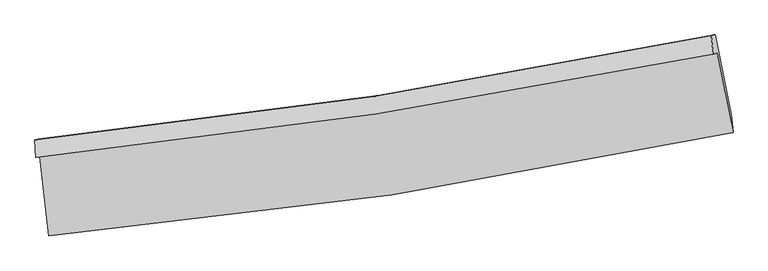
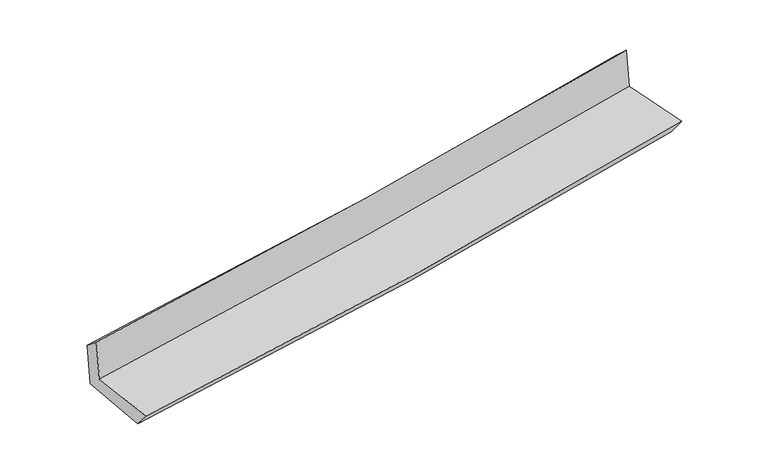
"""IFC4 building model written with IfcOpenShell, lengths in millimetres: proxy geometry."""

from ifc_helpers import new_model, si_unit, frame, origin, place, context, project, spatial, source, transform, mapped, element, save
from ifc_brep_helpers import plane_surface, spline_curve, spline_surface, advanced_brep


def generic_models_22334273(model_context):
    return source(origin(), model_context, "Body", "AdvancedBrep", [
        advanced_brep(
        [(-2833.0409948, -1906.5391049, 1656.0157769), (-2757.3243583, -2564.9836541, 1647.719373), (2909.2751397, -1709.8756625, 2156.8757535), (2777.8742328, -1051.350367, 2160.6039506), (-2865.2245232, -1915.1810724, 2048.1649429), (2746.0995788, -1059.882543, 2547.7710721), (-2871.8612159, -1770.5826141, 1931.8607112), (2727.9351877, -906.7400155, 2405.2892821), (-2838.0451805, -1761.5022835, 1519.8198092), (2760.1258996, -898.096119, 2013.0525863), (-2759.6164724, -2425.0471166, 1486.3282979), (2895.6575618, -1557.5887834, 1963.7729435)],
        [
            (0, 1),
            (1, 2, spline_curve(3, [(-2757.3243583, -2564.9836541, 1647.719373), (-1807.304863717, -2479.94559095, 1748.26741734), (-860.898436792, -2366.342318736, 1840.910750938), (1027.993439634, -2081.506955419, 2010.685064767), (1970.453512093, -1910.074230107, 2087.760524733), (2909.2751397, -1709.8756625, 2156.8757535)], [4, 2, 4], [0.0, 9.380513517159981, 18.793912379800716])),
            (2, 3),
            (3, 0, spline_curve(3, [(2777.8742328, -1051.350367, 2160.6039506), (1846.488011737, -1238.932935855, 2092.376967326), (912.395746345, -1404.075451982, 2016.12687008), (-957.928203221, -1688.981851276, 1847.87485313), (-1894.141013979, -1808.90224821, 1755.928892428), (-2833.0409948, -1906.5391049, 1656.0157769)], [4, 2, 4], [0.0, 9.413398862640735, 18.793912379800716])),
            (4, 0),
            (3, 5),
            (5, 4, spline_curve(3, [(2746.0995788, -1059.882543, 2547.7710721), (1815.054922683, -1247.373394357, 2475.382194281), (881.098948799, -1412.479312926, 2397.471415459), (-989.362723889, -1697.422694221, 2230.897525385), (-1925.848117485, -1817.416285537, 2142.272927709), (-2865.2245232, -1915.1810724, 2048.1649429)], [4, 2, 4], [0.0, 9.367005282178914, 18.70128729305919])),
            (6, 4),
            (5, 7),
            (7, 6, spline_curve(3, [(2727.9351877, -906.7400155, 2405.2892821), (1800.156432061, -1098.657074972, 2328.701888723), (868.794557582, -1266.686725045, 2250.884629655), (-997.829234945, -1554.467649805, 2093.066528023), (-1933.066161451, -1674.385532999, 2013.074263462), (-2871.8612159, -1770.5826141, 1931.8607112)], [4, 2, 4], [0.0, 9.356867581237836, 18.68104730684386])),
            (8, 6),
            (7, 9),
            (9, 8, spline_curve(3, [(2760.1258996, -898.096119, 2013.0525863), (1833.195163531, -1089.785467212, 1926.132261883), (902.392475178, -1257.664963875, 1841.501446089), (-963.691557606, -1545.300951384, 1677.106489286), (-1898.945895495, -1665.223509852, 1597.326379002), (-2838.0451805, -1761.5022835, 1519.8198092)], [4, 2, 4], [0.0, 9.346948275702104, 18.661243348483307])),
            (10, 8),
            (9, 11),
            (11, 10, spline_curve(3, [(2895.6575618, -1557.5887834, 1963.7729435), (1957.840318534, -1745.551691016, 1886.455605422), (1016.828653488, -1911.91009059, 1807.938167297), (-868.284971182, -2200.912183276, 1648.781581843), (-1812.364651245, -2323.706560912, 1568.150804504), (-2759.6164724, -2425.0471166, 1486.3282979)], [4, 2, 4], [0.0, 9.392218984551185, 18.75162661470798])),
            (1, 10),
            (11, 2),
        ],
        [
            spline_surface(3, 3, [[(-2833.0409948, -1906.5391049, 1656.0157769), (-1894.141014024, -1808.902248243, 1755.928892462), (-957.928203316, -1688.981851407, 1847.874853176), (912.39574644, -1404.07545185, 2016.126870033), (1846.48801161, -1238.932936009, 2092.376967226), (2777.8742328, -1051.350367, 2160.6039506)], [(-2807.802115982, -2126.020621321, 1653.250308938), (-1865.195630568, -2032.583362507, 1753.375067457), (-925.58494781, -1914.768673902, 1845.55348576), (950.928310849, -1629.885953014, 2014.312934956), (1887.809845125, -1462.646700743, 2090.838153096), (2821.67453509, -1270.858798825, 2159.361218243)], [(-2782.563237118, -2345.502137679, 1650.484840962), (-1836.250247067, -2256.264476709, 1750.821242439), (-893.241692316, -2140.555496358, 1843.232118331), (989.460875244, -1855.696454138, 2012.498999866), (1929.13167867, -1686.360465501, 2089.299338937), (2865.47483741, -1490.367230675, 2158.118485857)], [(-2757.3243583, -2564.9836541, 1647.719373), (-1807.304863612, -2479.945590973, 1748.267417434), (-860.89843681, -2366.342318853, 1840.910750916), (1027.993439653, -2081.506955302, 2010.685064789), (1970.453512185, -1910.074230235, 2087.760524806), (2909.2751397, -1709.8756625, 2156.8757535)]], [4, 4], [4, 2, 4], [0.0, 2.2497410086304677], [0.0, 9.380513517159981, 18.793912379800716]),
            spline_surface(3, 3, [[(-2865.2245232, -1915.1810724, 2048.1649429), (-1925.848117612, -1817.416285465, 2142.272927646), (-989.362724026, -1697.422694169, 2230.897525374), (881.098948936, -1412.479312978, 2397.47141547), (1815.054922667, -1247.373394467, 2475.382194157), (2746.0995788, -1059.882543, 2547.7710721)], [(-2854.496680399, -1912.300416572, 1917.448554231), (-1915.279083082, -1814.578273063, 2013.491582582), (-978.884550482, -1694.60907989, 2103.223301313), (891.531214745, -1409.678025911, 2270.356566996), (1825.532618969, -1244.559908337, 2347.713785181), (2756.691130121, -1057.038484357, 2418.715364935)], [(-2843.768837601, -1909.419760728, 1786.732165569), (-1904.710048554, -1811.740260645, 1884.710237525), (-968.40637686, -1691.795465685, 1975.549077238), (901.963480632, -1406.876738918, 2143.241718507), (1836.010315308, -1241.746422138, 2220.045376202), (2767.282681479, -1054.194425643, 2289.659657765)], [(-2833.0409948, -1906.5391049, 1656.0157769), (-1894.141014024, -1808.902248243, 1755.928892462), (-957.928203316, -1688.981851407, 1847.874853176), (912.39574644, -1404.07545185, 2016.126870033), (1846.48801161, -1238.932936009, 2092.376967226), (2777.8742328, -1051.350367, 2160.6039506)]], [4, 4], [4, 2, 4], [0.0, 1.2583926836395156], [0.0, 9.334282010880274, 18.70128729305919]),
            spline_surface(3, 3, [[(-2871.8612159, -1770.5826141, 1931.8607112), (-1933.066161582, -1674.385532887, 2013.074263495), (-997.829234903, -1554.467649883, 2093.066528045), (868.79455754, -1266.686724966, 2250.884629634), (1800.156432066, -1098.657075122, 2328.701888741), (2727.9351877, -906.7400155, 2405.2892821)], [(-2869.648984994, -1818.782100187, 1970.628788433), (-1930.660146919, -1722.0624504, 2056.140484878), (-995.007064608, -1602.119331329, 2139.010193815), (872.896021341, -1315.28425432, 2299.746891572), (1805.122595617, -1148.229181571, 2377.595323883), (2733.98998475, -957.787524668, 2452.783212104)], [(-2867.436754106, -1866.981586313, 2009.396865667), (-1928.254132275, -1769.739367952, 2099.206706263), (-992.18489432, -1649.771012723, 2184.953859605), (876.997485135, -1363.881783624, 2348.609153531), (1810.088759117, -1197.801288017, 2426.488759015), (2740.04478175, -1008.835033832, 2500.277142096)], [(-2865.2245232, -1915.1810724, 2048.1649429), (-1925.848117612, -1817.416285465, 2142.272927646), (-989.362724026, -1697.422694169, 2230.897525374), (881.098948936, -1412.479312978, 2397.47141547), (1815.054922667, -1247.373394467, 2475.382194157), (2746.0995788, -1059.882543, 2547.7710721)]], [4, 4], [4, 2, 4], [0.0, 0.6657837840644544], [0.0, 9.324179725606022, 18.68104730684386]),
            spline_surface(3, 3, [[(-2838.0451805, -1761.5022835, 1519.8198092), (-1898.945895587, -1665.223509849, 1597.326379077), (-963.691557461, -1545.300951528, 1677.10648917), (902.392475032, -1257.664963731, 1841.501446205), (1833.195163578, -1089.785467172, 1926.132261781), (2760.1258996, -898.096119, 2013.0525863)], [(-2849.317192295, -1764.529060371, 1657.166776542), (-1910.319317581, -1668.277517533, 1735.909007225), (-975.070783263, -1548.356517659, 1815.759835442), (891.193169214, -1260.672217489, 1977.962507328), (1822.182253063, -1092.742669794, 2060.322137416), (2749.395662288, -900.977417805, 2143.798151548)], [(-2860.589204105, -1767.555837229, 1794.513743858), (-1921.692739589, -1671.331525203, 1874.491635348), (-986.450009101, -1551.412083752, 1954.413181773), (879.993863358, -1263.679471208, 2114.423568511), (1811.169342582, -1095.6998725, 2194.512013107), (2738.665425012, -903.858716695, 2274.543716852)], [(-2871.8612159, -1770.5826141, 1931.8607112), (-1933.066161582, -1674.385532887, 2013.074263495), (-997.829234903, -1554.467649883, 2093.066528045), (868.79455754, -1266.686724966, 2250.884629634), (1800.156432066, -1098.657075122, 2328.701888741), (2727.9351877, -906.7400155, 2405.2892821)]], [4, 4], [4, 2, 4], [0.0, 1.358751031234196], [0.0, 9.314295072781203, 18.661243348483307]),
            spline_surface(3, 3, [[(-2759.6164724, -2425.0471166, 1486.3282979), (-1812.364651231, -2323.706560964, 1568.150804631), (-868.284971309, -2200.912183134, 1648.781581777), (1016.828653616, -1911.910090733, 1807.938167363), (1957.840318424, -1745.551690883, 1886.455605362), (2895.6575618, -1557.5887834, 1963.7729435)], [(-2785.759375112, -2203.865505548, 1497.492135009), (-1841.225066028, -2104.212210574, 1577.875996122), (-900.087166707, -1982.375105925, 1658.223217578), (978.683260741, -1693.828381726, 1819.12592698), (1916.291933476, -1526.962949678, 1899.681157499), (2850.480341067, -1337.757895298, 1980.199491097)], [(-2811.902277788, -1982.683894552, 1508.655972091), (-1870.08548079, -1884.717860239, 1587.601187586), (-931.889362063, -1763.838028736, 1667.66485337), (940.537867908, -1475.746672738, 1830.313686589), (1874.743548527, -1308.374208378, 1912.906709645), (2805.303120333, -1117.927007102, 1996.626038703)], [(-2838.0451805, -1761.5022835, 1519.8198092), (-1898.945895587, -1665.223509849, 1597.326379077), (-963.691557461, -1545.300951528, 1677.10648917), (902.392475032, -1257.664963731, 1841.501446205), (1833.195163578, -1089.785467172, 1926.132261781), (2760.1258996, -898.096119, 2013.0525863)]], [4, 4], [4, 2, 4], [0.0, 2.1784910504376556], [0.0, 9.359407630156795, 18.75162661470798]),
            spline_surface(3, 3, [[(-2757.3243583, -2564.9836541, 1647.719373), (-1807.304863612, -2479.945590973, 1748.267417434), (-860.89843681, -2366.342318853, 1840.910750916), (1027.993439653, -2081.506955302, 2010.685064789), (1970.453512185, -1910.074230235, 2087.760524806), (2909.2751397, -1709.8756625, 2156.8757535)], [(-2758.088396318, -2518.3381416, 1593.922347948), (-1808.99145947, -2427.865914304, 1688.228546481), (-863.360614955, -2311.198940268, 1776.867694551), (1024.271844329, -2024.9746671, 1943.102765662), (1966.249114282, -1855.233383764, 2020.658884999), (2904.735947084, -1659.113369446, 2092.508150174)], [(-2758.852434382, -2471.6926291, 1540.125322952), (-1810.678055373, -2375.786237634, 1628.189675584), (-865.822793165, -2256.055561718, 1712.824638142), (1020.55024894, -1968.442378934, 1875.52046649), (1962.044716327, -1800.392537354, 1953.557245169), (2900.196754416, -1608.351076454, 2028.140546826)], [(-2759.6164724, -2425.0471166, 1486.3282979), (-1812.364651231, -2323.706560964, 1568.150804631), (-868.284971309, -2200.912183134, 1648.781581777), (1016.828653616, -1911.910090733, 1807.938167363), (1957.840318424, -1745.551690883, 1886.455605362), (2895.6575618, -1557.5887834, 1963.7729435)]], [4, 4], [4, 2, 4], [0.0, 0.8501012807865423], [0.0, 9.415460464177777, 18.863928787643687]),
            plane_surface(frame((2802.8279334, -1197.2555817, 2207.8942647), z_axis=(0.9772528597789122, 0.19452087774730642, 0.08448950333831658), x_axis=(-0.08177488818743536, -0.02195831096859758, 0.9964089021287088))),
            plane_surface(frame((-2820.8521242, -2057.3059743, 1714.9848185), z_axis=(-0.990082853385064, -0.11279763858404793, -0.08374148412079034), x_axis=(-0.11423139277353621, 0.993375319458499, 0.012516532896263284))),
        ],
        [
            (0, [[1, 2, 3, 4]]),
            (1, [[5, -4, 6, 7]]),
            (2, [[8, -7, 9, 10]]),
            (3, [[11, -10, 12, 13]]),
            (4, [[14, -13, 15, 16]]),
            (5, [[17, -16, 18, -2]]),
            (6, [[-12, -9, -6, -3, -18, -15]]),
            (7, [[-1, -5, -8, -11, -14, -17]]),
        ],
    ),
    ])


if __name__ == "__main__":
    model = new_model("IFC4")
    model_context = context("Model", 3, world=origin())
    ifc_project = project(units=[si_unit("LENGTHUNIT", "METRE", prefix="MILLI")], contexts=[model_context])
    site = spatial("IfcSite", under=ifc_project)
    building = spatial("IfcBuilding", under=site)
    placement = place(None, origin())
    generic_models_shape = generic_models_22334273(model_context)
    element("IfcBuildingElementProxy", 1, Name="Generic Models", at=placement, inside=building, context=model_context, shape_type="MappedRepresentation", body=[
        mapped(generic_models_shape, transform((0.0, 0.0, 0.0), x_axis=(1.0, 0.0, 0.0), y_axis=(0.0, 1.0, 0.0), z_axis=(0.0, 0.0, 1.0))),
    ])
    save(model, "model.ifc")
